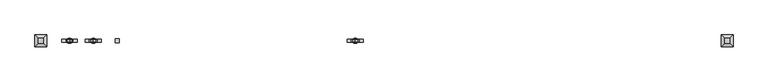
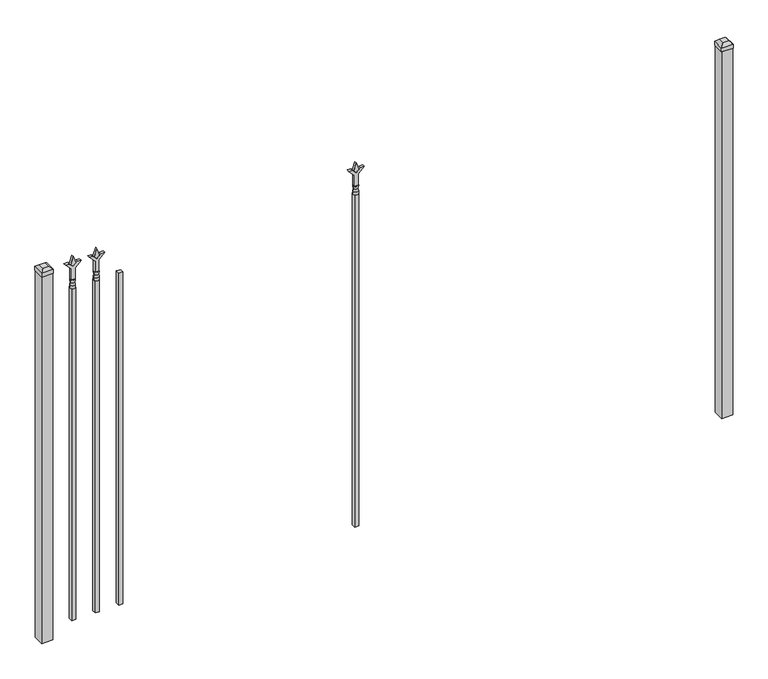
"""IFC4 building model written with IfcOpenShell, lengths in millimetres: railing geometry."""

from ifc_helpers import new_model, si_unit, frame, origin, origin_with_axes, place, context, project, spatial, polyline, circle_curve, outline, extrude, faceted_brep, source, transform, mapped, element, save
from ifc_brep_helpers import plane_surface, cylinder_surface, revolved_surface, advanced_brep


def railing_5052afd5(model_context):
    return source(origin(), model_context, "Body", "SolidModel", [
        extrude(outline(polyline([(-67100.5347536, 3031.8679826), (-67081.4847536, 3031.8679826), (-67081.4847536, 3012.8179826), (-67100.5347536, 3012.8179826), (-67100.5347536, 3031.8679826)])), frame((0.0, 0.0, 50.8), z_axis=(0.0, 0.0, 1.0), x_axis=(1.0, 0.0, 0.0)), (0.0, 0.0, 1.0), 1625.6),
        extrude(outline(polyline([(1793.08125, -67188.3764203), (1828.8, -67200.2826703), (1793.08125, -67212.1889203), (1781.175, -67200.2826703), (1793.08125, -67188.3764203)])), frame((0.0, 3017.5804826, 0.0), z_axis=(0.0, 1.0, 0.0), x_axis=(0.0, 0.0, 1.0)), (0.0, 0.0, 1.0), 9.525),
        extrude(outline(polyline([(1717.675, -67191.5514203), (1771.9457378, -67191.5514203), (1799.1355122, -67164.3616458), (1799.1355122, -67182.3221581), (1781.175, -67200.2826703), (1799.1355122, -67218.2431825), (1799.1355122, -67236.2036948), (1771.9457378, -67209.0139203), (1717.675, -67209.0139203), (1717.675, -67191.5514203)])), frame((0.0, 3015.9929826, 0.0), z_axis=(0.0, 1.0, 0.0), x_axis=(0.0, 0.0, 1.0)), (0.0, 0.0, 1.0), 12.7),
        advanced_brep(
        [(-67188.3764203, 3022.3429826, 1689.1), (-67212.1889203, 3022.3429826, 1689.1), (-67212.1889203, 3022.3429826, 1676.4), (-67188.3764203, 3022.3429826, 1676.4), (-67190.5817522, 3022.3429826, 1701.6070585), (-67209.9835884, 3022.3429826, 1701.6070585), (-67188.3764203, 3022.3429826, 1717.675), (-67212.1889203, 3022.3429826, 1717.675), (-67200.2826703, 3022.3429826, 1717.675), (-67200.2826703, 3022.3429826, 1676.4)],
        [
            (0, 1, circle_curve(frame((-67200.2826703, 3022.3429826, 1689.1), z_axis=(0.0, 0.0, -1.0), x_axis=(-1.0, 0.0, 0.0)), 11.90625)),
            (1, 2),
            (2, 3, circle_curve(frame((-67200.2826703, 3022.3429826, 1676.4), z_axis=(0.0, 0.0, 1.0), x_axis=(-1.0, 0.0, 0.0)), 11.90625)),
            (3, 0),
            (1, 0, circle_curve(frame((-67200.2826703, 3022.3429826, 1689.1), z_axis=(0.0, 0.0, -1.0), x_axis=(-1.0, 0.0, 0.0)), 11.90625)),
            (3, 2, circle_curve(frame((-67200.2826703, 3022.3429826, 1676.4), z_axis=(0.0, 0.0, 1.0), x_axis=(-1.0, 0.0, 0.0)), 11.90625)),
            (4, 5, circle_curve(frame((-67200.2826703, 3022.3429826, 1701.6070585), z_axis=(0.0, 0.0, -1.0), x_axis=(-1.0, 0.0, 0.0)), 9.7009181)),
            (5, 1),
            (0, 4),
            (5, 4, circle_curve(frame((-67200.2826703, 3022.3429826, 1701.6070585), z_axis=(0.0, 0.0, -1.0), x_axis=(-1.0, 0.0, 0.0)), 9.7009181)),
            (6, 7, circle_curve(frame((-67200.2826703, 3022.3429826, 1717.675), z_axis=(0.0, 0.0, -1.0), x_axis=(-1.0, 0.0, 0.0)), 11.90625)),
            (7, 5),
            (4, 6),
            (7, 6, circle_curve(frame((-67200.2826703, 3022.3429826, 1717.675), z_axis=(0.0, 0.0, -1.0), x_axis=(-1.0, 0.0, 0.0)), 11.90625)),
            (8, 7),
            (6, 8),
            (2, 9),
            (9, 3),
        ],
        [
            cylinder_surface(frame((-67200.2826703, 3022.3429826, 1676.4), z_axis=(0.0, 0.0, 1.0), x_axis=(-1.0, 0.0, 0.0)), 11.90625),
            revolved_surface(polyline([(-67212.1889203, 3022.3429826, 1689.1), (-67209.9835884, 3022.3429826, 1701.6070585)]), (-67200.2826703, 3022.3429826, 1676.4), (0.0, 0.0, 1.0)),
            revolved_surface(polyline([(-67209.9835884, 3022.3429826, 1701.6070585), (-67212.1889203, 3022.3429826, 1717.675)]), (-67200.2826703, 3022.3429826, 1676.4), (0.0, 0.0, 1.0)),
            plane_surface(frame((-67200.2826703, 3022.3429826, 1717.675), z_axis=(0.0, 0.0, 1.0), x_axis=(-1.0, 0.0, 0.0))),
            plane_surface(frame((-67200.2826703, 3022.3429826, 1676.4), z_axis=(0.0, 0.0, -1.0), x_axis=(-1.0, 0.0, 0.0))),
        ],
        [
            (0, [[1, 2, 3, 4]]),
            (0, [[5, -4, 6, -2]]),
            (1, [[7, 8, -1, 9]]),
            (1, [[10, -9, -5, -8]]),
            (2, [[11, 12, -7, 13]]),
            (2, [[14, -13, -10, -12]]),
            (3, [[15, -11, 16]]),
            (3, [[-16, -14, -15]]),
            (4, [[-3, 17, 18]]),
            (4, [[-6, -18, -17]]),
        ],
    ),
        extrude(outline(polyline([(-67209.8076703, 3031.8679826), (-67190.7576703, 3031.8679826), (-67190.7576703, 3012.8179826), (-67209.8076703, 3012.8179826), (-67209.8076703, 3031.8679826)])), frame((0.0, 0.0, 50.8), z_axis=(0.0, 0.0, 1.0), x_axis=(1.0, 0.0, 0.0)), (0.0, 0.0, 1.0), 1625.6),
        extrude(outline(polyline([(1793.08125, -65986.374337), (1828.8, -65998.280587), (1793.08125, -66010.186837), (1781.175, -65998.280587), (1793.08125, -65986.374337)])), frame((0.0, 3017.5804826, 0.0), z_axis=(0.0, 1.0, 0.0), x_axis=(0.0, 0.0, 1.0)), (0.0, 0.0, 1.0), 9.525),
        extrude(outline(polyline([(1717.675, -65989.549337), (1771.9457378, -65989.549337), (1799.1355122, -65962.3595625), (1799.1355122, -65980.3200747), (1781.175, -65998.280587), (1799.1355122, -66016.2410992), (1799.1355122, -66034.2016114), (1771.9457378, -66007.011837), (1717.675, -66007.011837), (1717.675, -65989.549337)])), frame((0.0, 3015.9929826, 0.0), z_axis=(0.0, 1.0, 0.0), x_axis=(0.0, 0.0, 1.0)), (0.0, 0.0, 1.0), 12.7),
        advanced_brep(
        [(-65986.374337, 3022.3429826, 1689.1), (-66010.186837, 3022.3429826, 1689.1), (-66010.186837, 3022.3429826, 1676.4), (-65986.374337, 3022.3429826, 1676.4), (-65988.5796688, 3022.3429826, 1701.6070585), (-66007.9815051, 3022.3429826, 1701.6070585), (-65986.374337, 3022.3429826, 1717.675), (-66010.186837, 3022.3429826, 1717.675), (-65998.280587, 3022.3429826, 1717.675), (-65998.280587, 3022.3429826, 1676.4)],
        [
            (0, 1, circle_curve(frame((-65998.280587, 3022.3429826, 1689.1), z_axis=(0.0, 0.0, -1.0), x_axis=(-1.0, 0.0, 0.0)), 11.90625)),
            (1, 2),
            (2, 3, circle_curve(frame((-65998.280587, 3022.3429826, 1676.4), z_axis=(0.0, 0.0, 1.0), x_axis=(-1.0, 0.0, 0.0)), 11.90625)),
            (3, 0),
            (1, 0, circle_curve(frame((-65998.280587, 3022.3429826, 1689.1), z_axis=(0.0, 0.0, -1.0), x_axis=(-1.0, 0.0, 0.0)), 11.90625)),
            (3, 2, circle_curve(frame((-65998.280587, 3022.3429826, 1676.4), z_axis=(0.0, 0.0, 1.0), x_axis=(-1.0, 0.0, 0.0)), 11.90625)),
            (4, 5, circle_curve(frame((-65998.280587, 3022.3429826, 1701.6070585), z_axis=(0.0, 0.0, -1.0), x_axis=(-1.0, 0.0, 0.0)), 9.7009181)),
            (5, 1),
            (0, 4),
            (5, 4, circle_curve(frame((-65998.280587, 3022.3429826, 1701.6070585), z_axis=(0.0, 0.0, -1.0), x_axis=(-1.0, 0.0, 0.0)), 9.7009181)),
            (6, 7, circle_curve(frame((-65998.280587, 3022.3429826, 1717.675), z_axis=(0.0, 0.0, -1.0), x_axis=(-1.0, 0.0, 0.0)), 11.90625)),
            (7, 5),
            (4, 6),
            (7, 6, circle_curve(frame((-65998.280587, 3022.3429826, 1717.675), z_axis=(0.0, 0.0, -1.0), x_axis=(-1.0, 0.0, 0.0)), 11.90625)),
            (8, 7),
            (6, 8),
            (2, 9),
            (9, 3),
        ],
        [
            cylinder_surface(frame((-65998.280587, 3022.3429826, 1676.4), z_axis=(0.0, 0.0, 1.0), x_axis=(-1.0, 0.0, 0.0)), 11.90625),
            revolved_surface(polyline([(-66010.186837, 3022.3429826, 1689.1), (-66007.9815051, 3022.3429826, 1701.6070585)]), (-65998.280587, 3022.3429826, 1676.4), (0.0, 0.0, 1.0)),
            revolved_surface(polyline([(-66007.9815051, 3022.3429826, 1701.6070585), (-66010.186837, 3022.3429826, 1717.675)]), (-65998.280587, 3022.3429826, 1676.4), (0.0, 0.0, 1.0)),
            plane_surface(frame((-65998.280587, 3022.3429826, 1717.675), z_axis=(0.0, 0.0, 1.0), x_axis=(-1.0, 0.0, 0.0))),
            plane_surface(frame((-65998.280587, 3022.3429826, 1676.4), z_axis=(0.0, 0.0, -1.0), x_axis=(-1.0, 0.0, 0.0))),
        ],
        [
            (0, [[1, 2, 3, 4]]),
            (0, [[5, -4, 6, -2]]),
            (1, [[7, 8, -1, 9]]),
            (1, [[10, -9, -5, -8]]),
            (2, [[11, 12, -7, 13]]),
            (2, [[14, -13, -10, -12]]),
            (3, [[15, -11, 16]]),
            (3, [[-16, -14, -15]]),
            (4, [[-3, 17, 18]]),
            (4, [[-6, -18, -17]]),
        ],
    ),
        extrude(outline(polyline([(-66007.805587, 3031.8679826), (-65988.755587, 3031.8679826), (-65988.755587, 3012.8179826), (-66007.805587, 3012.8179826), (-66007.805587, 3031.8679826)])), frame((0.0, 0.0, 50.8), z_axis=(0.0, 0.0, 1.0), x_axis=(1.0, 0.0, 0.0)), (0.0, 0.0, 1.0), 1625.6),
        extrude(outline(polyline([(1793.08125, -67297.649337), (1828.8, -67309.555587), (1793.08125, -67321.461837), (1781.175, -67309.555587), (1793.08125, -67297.649337)])), frame((0.0, 3017.5804826, 0.0), z_axis=(0.0, 1.0, 0.0), x_axis=(0.0, 0.0, 1.0)), (0.0, 0.0, 1.0), 9.525),
        extrude(outline(polyline([(1717.675, -67300.824337), (1771.9457378, -67300.824337), (1799.1355122, -67273.6345625), (1799.1355122, -67291.5950747), (1781.175, -67309.555587), (1799.1355122, -67327.5160992), (1799.1355122, -67345.4766114), (1771.9457378, -67318.286837), (1717.675, -67318.286837), (1717.675, -67300.824337)])), frame((0.0, 3015.9929826, 0.0), z_axis=(0.0, 1.0, 0.0), x_axis=(0.0, 0.0, 1.0)), (0.0, 0.0, 1.0), 12.7),
        advanced_brep(
        [(-67297.649337, 3022.3429826, 1689.1), (-67321.461837, 3022.3429826, 1689.1), (-67321.461837, 3022.3429826, 1676.4), (-67297.649337, 3022.3429826, 1676.4), (-67299.8546688, 3022.3429826, 1701.6070585), (-67319.2565051, 3022.3429826, 1701.6070585), (-67297.649337, 3022.3429826, 1717.675), (-67321.461837, 3022.3429826, 1717.675), (-67309.555587, 3022.3429826, 1717.675), (-67309.555587, 3022.3429826, 1676.4)],
        [
            (0, 1, circle_curve(frame((-67309.555587, 3022.3429826, 1689.1), z_axis=(0.0, 0.0, -1.0), x_axis=(-1.0, 0.0, 0.0)), 11.90625)),
            (1, 2),
            (2, 3, circle_curve(frame((-67309.555587, 3022.3429826, 1676.4), z_axis=(0.0, 0.0, 1.0), x_axis=(-1.0, 0.0, 0.0)), 11.90625)),
            (3, 0),
            (1, 0, circle_curve(frame((-67309.555587, 3022.3429826, 1689.1), z_axis=(0.0, 0.0, -1.0), x_axis=(-1.0, 0.0, 0.0)), 11.90625)),
            (3, 2, circle_curve(frame((-67309.555587, 3022.3429826, 1676.4), z_axis=(0.0, 0.0, 1.0), x_axis=(-1.0, 0.0, 0.0)), 11.90625)),
            (4, 5, circle_curve(frame((-67309.555587, 3022.3429826, 1701.6070585), z_axis=(0.0, 0.0, -1.0), x_axis=(-1.0, 0.0, 0.0)), 9.7009181)),
            (5, 1),
            (0, 4),
            (5, 4, circle_curve(frame((-67309.555587, 3022.3429826, 1701.6070585), z_axis=(0.0, 0.0, -1.0), x_axis=(-1.0, 0.0, 0.0)), 9.7009181)),
            (6, 7, circle_curve(frame((-67309.555587, 3022.3429826, 1717.675), z_axis=(0.0, 0.0, -1.0), x_axis=(-1.0, 0.0, 0.0)), 11.90625)),
            (7, 5),
            (4, 6),
            (7, 6, circle_curve(frame((-67309.555587, 3022.3429826, 1717.675), z_axis=(0.0, 0.0, -1.0), x_axis=(-1.0, 0.0, 0.0)), 11.90625)),
            (8, 7),
            (6, 8),
            (2, 9),
            (9, 3),
        ],
        [
            cylinder_surface(frame((-67309.555587, 3022.3429826, 1676.4), z_axis=(0.0, 0.0, 1.0), x_axis=(-1.0, 0.0, 0.0)), 11.90625),
            revolved_surface(polyline([(-67321.461837, 3022.3429826, 1689.1), (-67319.2565051, 3022.3429826, 1701.6070585)]), (-67309.555587, 3022.3429826, 1676.4), (0.0, 0.0, 1.0)),
            revolved_surface(polyline([(-67319.2565051, 3022.3429826, 1701.6070585), (-67321.461837, 3022.3429826, 1717.675)]), (-67309.555587, 3022.3429826, 1676.4), (0.0, 0.0, 1.0)),
            plane_surface(frame((-67309.555587, 3022.3429826, 1717.675), z_axis=(0.0, 0.0, 1.0), x_axis=(-1.0, 0.0, 0.0))),
            plane_surface(frame((-67309.555587, 3022.3429826, 1676.4), z_axis=(0.0, 0.0, -1.0), x_axis=(-1.0, 0.0, 0.0))),
        ],
        [
            (0, [[1, 2, 3, 4]]),
            (0, [[5, -4, 6, -2]]),
            (1, [[7, 8, -1, 9]]),
            (1, [[10, -9, -5, -8]]),
            (2, [[11, 12, -7, 13]]),
            (2, [[14, -13, -10, -12]]),
            (3, [[15, -11, 16]]),
            (3, [[-16, -14, -15]]),
            (4, [[-3, 17, 18]]),
            (4, [[-6, -18, -17]]),
        ],
    ),
        extrude(outline(polyline([(-67319.080587, 3031.8679826), (-67300.030587, 3031.8679826), (-67300.030587, 3012.8179826), (-67319.080587, 3012.8179826), (-67319.080587, 3031.8679826)])), frame((0.0, 0.0, 50.8), z_axis=(0.0, 0.0, 1.0), x_axis=(1.0, 0.0, 0.0)), (0.0, 0.0, 1.0), 1625.6),
        extrude(outline(polyline([(-64266.318087, 3047.7429826), (-64266.318087, 2996.9429826), (-64317.118087, 2996.9429826), (-64317.118087, 3047.7429826), (-64266.318087, 3047.7429826)])), origin_with_axes(), (0.0, 0.0, 1.0), 1797.05),
        faceted_brep([(-64318.705587, 3049.3304826, 1816.1), (-64318.705587, 3049.3304826, 1797.05), (-64318.705587, 2995.3554826, 1797.05), (-64318.705587, 2995.3554826, 1816.1), (-64306.005587, 3036.6304826, 1828.8), (-64306.005587, 3008.0554826, 1828.8), (-64264.730587, 2995.3554826, 1797.05), (-64264.730587, 2995.3554826, 1816.1), (-64277.430587, 3008.0554826, 1828.8), (-64264.730587, 3049.3304826, 1797.05), (-64264.730587, 3049.3304826, 1816.1), (-64277.430587, 3036.6304826, 1828.8)], [[[0, 1, 2, 3]], [[4, 0, 3, 5]], [[3, 2, 6, 7]], [[5, 3, 7, 8]], [[7, 6, 9, 10]], [[8, 7, 10, 11]], [[10, 9, 1, 0]], [[11, 10, 0, 4]], [[5, 8, 11, 4]], [[1, 9, 6, 2]]]),
        extrude(outline(polyline([(-67415.918087, 3047.7429826), (-67415.918087, 2996.9429826), (-67466.718087, 2996.9429826), (-67466.718087, 3047.7429826), (-67415.918087, 3047.7429826)])), origin_with_axes(), (0.0, 0.0, 1.0), 1797.05),
        faceted_brep([(-67468.305587, 3049.3304826, 1816.1), (-67468.305587, 3049.3304826, 1797.05), (-67468.305587, 2995.3554826, 1797.05), (-67468.305587, 2995.3554826, 1816.1), (-67455.605587, 3036.6304826, 1828.8), (-67455.605587, 3008.0554826, 1828.8), (-67414.330587, 2995.3554826, 1797.05), (-67414.330587, 2995.3554826, 1816.1), (-67427.030587, 3008.0554826, 1828.8), (-67414.330587, 3049.3304826, 1797.05), (-67414.330587, 3049.3304826, 1816.1), (-67427.030587, 3036.6304826, 1828.8)], [[[0, 1, 2, 3]], [[4, 0, 3, 5]], [[3, 2, 6, 7]], [[5, 3, 7, 8]], [[7, 6, 9, 10]], [[8, 7, 10, 11]], [[10, 9, 1, 0]], [[11, 10, 0, 4]], [[5, 8, 11, 4]], [[1, 9, 6, 2]]]),
    ])


if __name__ == "__main__":
    model = new_model("IFC4")
    model_context = context("Model", 3, world=origin())
    ifc_project = project(units=[si_unit("LENGTHUNIT", "METRE", prefix="MILLI")], contexts=[model_context])
    site = spatial("IfcSite", under=ifc_project)
    building = spatial("IfcBuilding", under=site)
    placement = place(None, origin())
    railing_shape = railing_5052afd5(model_context)
    element("IfcRailing", 1, at=placement, inside=building, context=model_context, shape_type="MappedRepresentation", body=[
        mapped(railing_shape, transform((0.0, 0.0, 0.0), x_axis=(1.0, 0.0, 0.0), y_axis=(0.0, 1.0, 0.0), z_axis=(0.0, 0.0, 1.0))),
    ])
    save(model, "model.ifc")
